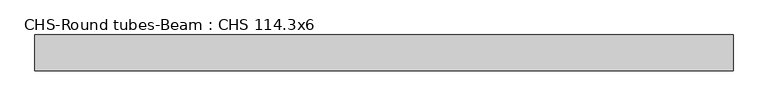
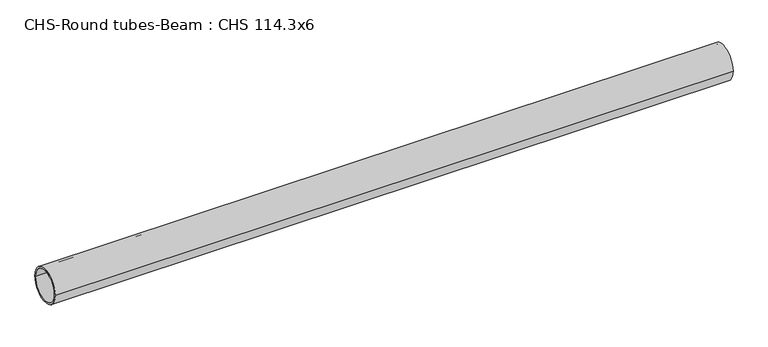
"""IFC4 building model written with IfcOpenShell, lengths in millimetres: beam geometry, CHS-Round tubes-Beam : CHS 114.3x6."""

from ifc_helpers import new_model, si_unit, point, frame, origin, origin_2d, place, context, project, spatial, circle_curve, trimmed, segment, composite_curve, outline, extrude, source, transform, mapped, element, save


def chs_round_tubes_beam_chs_114_3x6_fbb2780f(model_context):
    return source(origin(), model_context, "Body", "SweptSolid", [
        extrude(outline(composite_curve([segment(trimmed(circle_curve(origin_2d(), 57.15), [point((57.15, 0.0))], [point((-57.15, 0.0))], False, "CARTESIAN"), True, "CONTINUOUS"), segment(trimmed(circle_curve(origin_2d(), 57.15), [point((-57.15, 0.0))], [point((57.15, 0.0))], False, "CARTESIAN"), True, "CONTINUOUS")], self_intersect=False), holes=[composite_curve([segment(trimmed(circle_curve(origin_2d(), 51.15), [point((51.15, 0.0))], [point((-51.15, 0.0))], True, "CARTESIAN"), True, "CONTINUOUS"), segment(trimmed(circle_curve(origin_2d(), 51.15), [point((-51.15, 0.0))], [point((51.15, 0.0))], True, "CARTESIAN"), True, "CONTINUOUS")], self_intersect=False)]), frame((-1066.0048448, 0.0, 0.0), z_axis=(1.0, 0.0, 0.0), x_axis=(0.0, 1.0, 0.0)), (0.0, 0.0, 1.0), 2223.0615237),
    ])


if __name__ == "__main__":
    model = new_model("IFC4")
    model_context = context("Model", 3, world=origin())
    ifc_project = project(units=[si_unit("LENGTHUNIT", "METRE", prefix="MILLI")], contexts=[model_context])
    site = spatial("IfcSite", under=ifc_project)
    building = spatial("IfcBuilding", under=site)
    placement = place(None, origin())
    chs_round_tubes_beam_chs_114_3x6_shape = chs_round_tubes_beam_chs_114_3x6_fbb2780f(model_context)
    element("IfcBeam", 1, ObjectType="CHS-Round tubes-Beam : CHS 114.3x6", at=placement, inside=building, context=model_context, shape_type="MappedRepresentation", body=[
        mapped(chs_round_tubes_beam_chs_114_3x6_shape, transform((0.0, 0.0, 0.0), x_axis=(1.0, 0.0, 0.0), y_axis=(0.0, 1.0, 0.0), z_axis=(0.0, 0.0, 1.0))),
    ])
    save(model, "model.ifc")
